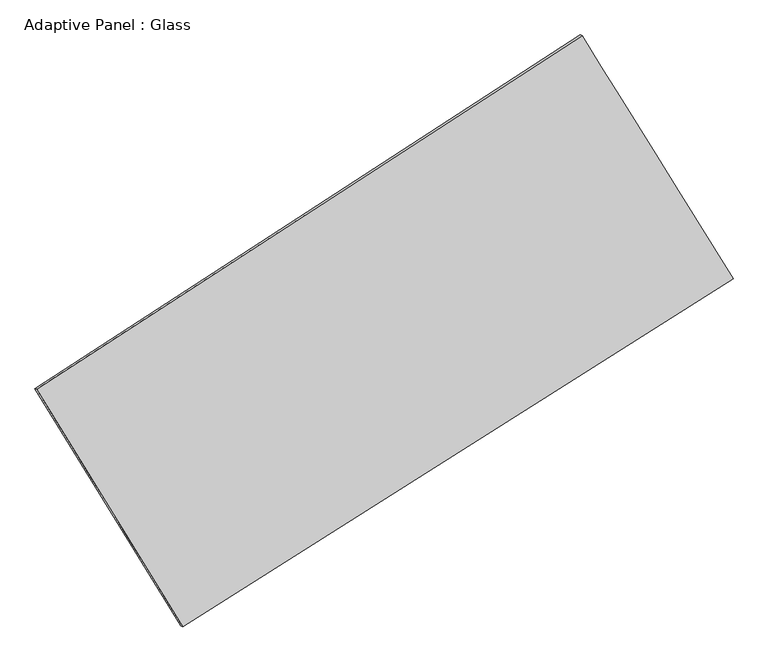
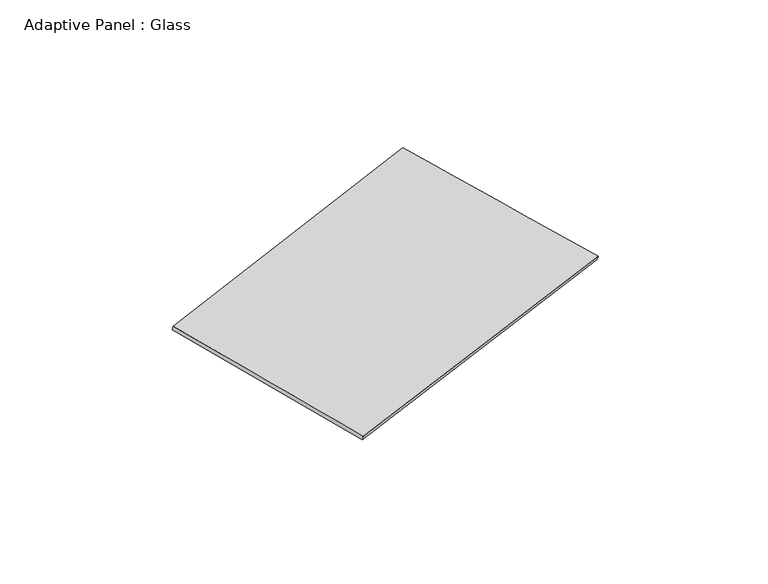
"""IFC4 building model written with IfcOpenShell, lengths in millimetres: plate geometry, Adaptive Panel : Glass."""

from ifc_helpers import new_model, si_unit, frame, origin, place, context, project, spatial, source, transform, mapped, element, save
from ifc_brep_helpers import plane_surface, spline_surface, advanced_brep


def adaptive_panel_glass_5982bb5e(model_context):
    return source(origin(), model_context, "Body", "AdvancedBrep", [
        advanced_brep(
        [(1115.3149198, 2541.880232, 667.5909041), (-3738.6255247, -605.45754, 1772.1693297), (-3723.9591688, -611.8376335, 1819.5422377), (1129.9812756, 2535.5001385, 714.9638121), (-2439.1934573, -2716.8093041, 1059.5459301), (-2424.5271015, -2723.1893976, 1106.9188382), (2459.2134841, 380.1380392, -14.1836437), (2473.8798399, 373.7579458, 33.1892643)],
        [
            (0, 1),
            (1, 2),
            (2, 3),
            (3, 0),
            (1, 4),
            (4, 5),
            (5, 2),
            (4, 6),
            (6, 7),
            (7, 5),
            (6, 0),
            (3, 7),
        ],
        [
            plane_surface(frame((-1311.6553024, 968.211346, 1219.8801169), z_axis=(-0.48238972613086634, 0.8358816727003857, 0.26191979949403094), x_axis=(-0.8241642798068309, -0.5343953840942935, 0.18754949573166121))),
            plane_surface(frame((-3088.909491, -1661.1334221, 1415.8576299), z_axis=(-0.8107737919808342, -0.5583321706805254, 0.17581537310540327), x_axis=(0.5037405274371403, -0.8184909992619107, -0.2762570635198147))),
            plane_surface(frame((10.0100134, -1168.3356324, 522.6811432), z_axis=(0.47459737315703554, -0.8408710184748502, -0.2601792914155726), x_axis=(0.831094010149515, 0.5254472357175923, -0.18217559872370062))),
            plane_surface(frame((1787.2642019, 1461.0091356, 326.7036302), z_axis=(0.8102939858768587, 0.5591077807878446, -0.1755623704393535), x_axis=(-0.5099896312583683, 0.8203491937644237, 0.25872335862657175))),
            spline_surface(1, 1, [[(-3723.9591688, -611.8376335, 1819.5422377), (1129.9812756, 2535.5001385, 714.9638121)], [(-2424.5271015, -2723.1893976, 1106.9188382), (2473.8798399, 373.7579458, 33.1892643)]], [2, 2], [2, 2], [0.0, 1.0], [0.0, 1.0]),
            spline_surface(1, 1, [[(2459.2134841, 380.1380392, -14.1836437), (1115.3149198, 2541.880232, 667.5909041)], [(-2439.1934573, -2716.8093041, 1059.5459301), (-3738.6255247, -605.45754, 1772.1693297)]], [2, 2], [2, 2], [0.0, 1.0], [0.0, 1.0]),
        ],
        [
            (0, [[1, 2, 3, 4]]),
            (1, [[5, 6, 7, -2]]),
            (2, [[8, 9, 10, -6]]),
            (3, [[11, -4, 12, -9]]),
            (4, [[-3, -7, -10, -12]]),
            (5, [[-11, -8, -5, -1]]),
        ],
    ),
    ])


if __name__ == "__main__":
    model = new_model("IFC4")
    model_context = context("Model", 3, world=origin())
    ifc_project = project(units=[si_unit("LENGTHUNIT", "METRE", prefix="MILLI")], contexts=[model_context])
    site = spatial("IfcSite", under=ifc_project)
    building = spatial("IfcBuilding", under=site)
    placement = place(None, origin())
    adaptive_panel_glass_shape = adaptive_panel_glass_5982bb5e(model_context)
    element("IfcPlate", 1, ObjectType="Adaptive Panel : Glass", at=placement, inside=building, context=model_context, shape_type="MappedRepresentation", body=[
        mapped(adaptive_panel_glass_shape, transform((0.0, 0.0, 0.0), x_axis=(1.0, 0.0, 0.0), y_axis=(0.0, 1.0, 0.0), z_axis=(0.0, 0.0, 1.0))),
    ])
    save(model, "model.ifc")
